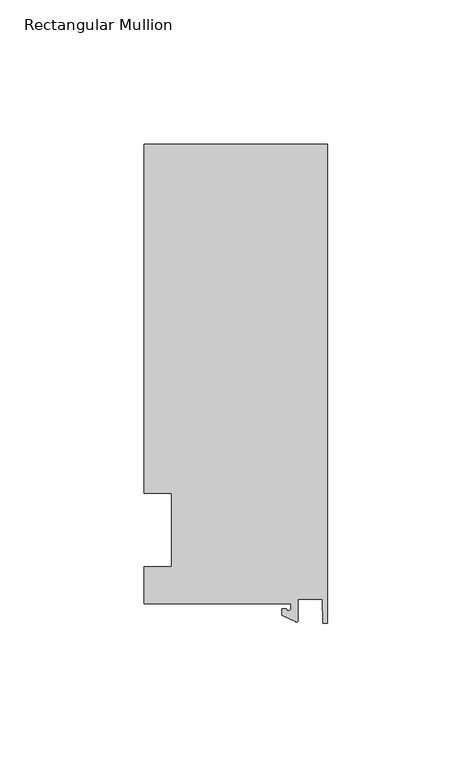
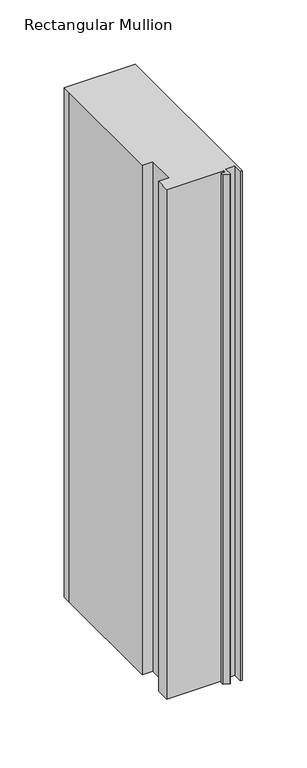
"""IFC4 building model written with IfcOpenShell, lengths in millimetres: member geometry, Rectangular Mullion."""

import ifcopenshell
import ifcopenshell.guid

model = None  # the IFC model being written
_history = None  # IfcOwnerHistory: only IFC2X3 demands one
_inside = {}  # id of a spatial element -> (the spatial element, [elements in it])
_under = {}  # id of a project, library or spatial element -> (it, [spatial elements below it])
_declared = {}  # id of a project -> (the project, [libraries it declares])
_typed = {}  # id of a type object -> (the type object, [elements of that type])
_made_of = {}  # id of a material, layer set ... -> (it, [elements and type objects made of it])


def new_model(schema):
    """Start an empty IFC model of exactly this schema.

    Asked for "IFC4X3", IfcOpenShell would pick the latest addendum, in which some entities
    have other attributes; the version numbers below select the first issue.
    IFC2X3 requires an IfcOwnerHistory on every rooted entity: one is made here for all.
    """
    global model, _history
    if schema == "IFC4X3":
        model = ifcopenshell.file(schema_version=(4, 3, 0, 0))
    else:
        model = ifcopenshell.file(schema=schema)
    _inside.clear()
    _under.clear()
    _declared.clear()
    _typed.clear()
    _made_of.clear()
    _history = None
    if model.schema == "IFC2X3":
        org = make("IfcOrganization", Name="unknown")
        user = make(
            "IfcPersonAndOrganization",
            ThePerson=make("IfcPerson", FamilyName="unknown"),
            TheOrganization=org,
        )
        app = make(
            "IfcApplication",
            ApplicationDeveloper=org,
            Version="unknown",
            ApplicationFullName="unknown",
            ApplicationIdentifier="unknown",
        )
        _history = make(
            "IfcOwnerHistory",
            OwningUser=user,
            OwningApplication=app,
            ChangeAction="ADDED",
            CreationDate=0,
        )
    return model


def make(cls, **values):
    """One entity of the class cls with the attributes given. An attribute that is None is left unset."""
    return model.create_entity(
        cls, **{name: value for name, value in values.items() if value is not None}
    )


def rooted(cls, **values):
    """An entity with a GlobalId (a new one), such as an element, a storey or a relation."""
    return make(cls, GlobalId=ifcopenshell.guid.new(), OwnerHistory=_history, **values)


def si_unit(unit_type, name, prefix=None):
    """IfcSIUnit, for example si_unit("LENGTHUNIT", "METRE", prefix="MILLI")."""
    return make("IfcSIUnit", UnitType=unit_type, Prefix=prefix, Name=name)


def assignment(units):
    """IfcUnitAssignment: the units of a project."""
    return None if units is None else make("IfcUnitAssignment", Units=units)


def point(xyz):
    """IfcCartesianPoint."""
    return None if xyz is None else make("IfcCartesianPoint", Coordinates=xyz)


def direction(xyz):
    """IfcDirection."""
    return None if xyz is None else make("IfcDirection", DirectionRatios=xyz)


def frame(location, z_axis=None, x_axis=None):
    """IfcAxis2Placement3D, a coordinate frame: its origin and axes. An axis left out is left unset."""
    return make(
        "IfcAxis2Placement3D",
        Location=point(location),
        Axis=direction(z_axis),
        RefDirection=direction(x_axis),
    )


def frame_2d(location, x_axis=None):
    """IfcAxis2Placement2D, a coordinate frame in the plane: its origin and x axis."""
    return make(
        "IfcAxis2Placement2D", Location=point(location), RefDirection=direction(x_axis)
    )


def origin():
    """The frame at (0, 0, 0) with its axes left unset."""
    return frame((0.0, 0.0, 0.0))


def place(relative_to, where):
    """IfcLocalPlacement: puts the frame where relative to a parent placement (None: the world)."""
    return make(
        "IfcLocalPlacement", PlacementRelTo=relative_to, RelativePlacement=where
    )


def context(
    kind, dimensions, precision=None, world=None, true_north=None, identifier=None
):
    """IfcGeometricRepresentationContext, for example the 3D "Model" context."""
    return make(
        "IfcGeometricRepresentationContext",
        ContextIdentifier=identifier,
        ContextType=kind,
        CoordinateSpaceDimension=dimensions,
        Precision=precision,
        WorldCoordinateSystem=world,
        TrueNorth=true_north,
    )


def project(units=None, contexts=None):
    """IfcProject with its units and contexts."""
    return rooted(
        "IfcProject",
        Name="project",
        RepresentationContexts=contexts,
        UnitsInContext=assignment(units),
    )


def spatial(cls, under=None, at=None, **own):
    """A site, building, storey or space (cls), placed at a placement, below another one or the project."""
    s = rooted(cls, ObjectPlacement=at, **own)
    if under is not None:
        _under.setdefault(under.id(), (under, []))[1].append(s)
    return s


def polyline(points):
    """IfcPolyline through the points."""
    return make("IfcPolyline", Points=[point(p) for p in points])


def circle_curve(where, radius):
    """IfcCircle in the frame where."""
    return make("IfcCircle", Position=where, Radius=radius)


def trimmed(basis, trim1, trim2, sense, master):
    """IfcTrimmedCurve: the piece of a basis curve between two trims."""
    return make(
        "IfcTrimmedCurve",
        BasisCurve=basis,
        Trim1=trim1,
        Trim2=trim2,
        SenseAgreement=sense,
        MasterRepresentation=master,
    )


def segment(curve, same_sense, transition):
    """IfcCompositeCurveSegment."""
    return make(
        "IfcCompositeCurveSegment",
        Transition=transition,
        SameSense=same_sense,
        ParentCurve=curve,
    )


def composite_curve(segments, self_intersect=None):
    """IfcCompositeCurve: segments joined end to end."""
    return make("IfcCompositeCurve", Segments=segments, SelfIntersect=self_intersect)


def outline(outer, holes=None, kind="AREA"):
    """IfcArbitraryClosedProfileDef: a profile drawn as a closed curve; with holes, ...WithVoids."""
    if holes is None:
        return make("IfcArbitraryClosedProfileDef", ProfileType=kind, OuterCurve=outer)
    return make(
        "IfcArbitraryProfileDefWithVoids",
        ProfileType=kind,
        OuterCurve=outer,
        InnerCurves=holes,
    )


def extrude(swept, where, along, depth):
    """IfcExtrudedAreaSolid: the profile swept, set in the frame where, extruded along a direction by depth."""
    return make(
        "IfcExtrudedAreaSolid",
        SweptArea=swept,
        Position=where,
        ExtrudedDirection=direction(along),
        Depth=depth,
    )


def shape(context_of_items, identifier, shape_type, items):
    """IfcShapeRepresentation: the items that make up one representation, for example the "Body"."""
    return make(
        "IfcShapeRepresentation",
        ContextOfItems=context_of_items,
        RepresentationIdentifier=identifier,
        RepresentationType=shape_type,
        Items=items,
    )


def source(mapping_origin, context_of_items, identifier, shape_type, items):
    """IfcRepresentationMap: a shape defined once, which mapped items show again and again."""
    return make(
        "IfcRepresentationMap",
        MappingOrigin=mapping_origin,
        MappedRepresentation=shape(context_of_items, identifier, shape_type, items),
    )


def transform(
    local_origin,
    x_axis=None,
    y_axis=None,
    z_axis=None,
    scale=None,
    scale2=None,
    scale3=None,
    uniform=True,
):
    """IfcCartesianTransformationOperator3D, or its non-uniform kind. x_axis, y_axis, z_axis: its Axis1, 2, 3."""
    if uniform:
        return make(
            "IfcCartesianTransformationOperator3D",
            Axis1=direction(x_axis),
            Axis2=direction(y_axis),
            LocalOrigin=point(local_origin),
            Scale=scale,
            Axis3=direction(z_axis),
        )
    return make(
        "IfcCartesianTransformationOperator3DnonUniform",
        Axis1=direction(x_axis),
        Axis2=direction(y_axis),
        LocalOrigin=point(local_origin),
        Scale=scale,
        Axis3=direction(z_axis),
        Scale2=scale2,
        Scale3=scale3,
    )


def mapped(mapping_source, mapping_target):
    """IfcMappedItem: shows the shape of a source again, moved by a transform."""
    return make(
        "IfcMappedItem", MappingSource=mapping_source, MappingTarget=mapping_target
    )


def made_of(thing, what):
    """Note that an element or type object is made of a material, layer set ...; save() writes the relation."""
    if what is not None:
        _made_of.setdefault(what.id(), (what, []))[1].append(thing)
    return thing


def element(
    cls,
    number,
    at=None,
    inside=None,
    cuts=None,
    type_object=None,
    material=None,
    context=None,
    identifier="Body",
    shape_type=None,
    held_by="IfcProductDefinitionShape",
    body=None,
    shapes=None,
    **own,
):
    """One element of the class cls, such as IfcWall. Its Tag is "e" and its number.

    at: its placement. inside: the storey or other place that contains it. cuts: it is an
    opening in that element (IfcRelVoidsElement). A single representation is given by context,
    identifier, shape_type and body (its items); several are given by shapes. held_by: the class
    of the entity that holds the representations. save() writes the other relations.
    """
    e = rooted(cls, Tag="e%d" % number, ObjectPlacement=at, **own)
    if body is not None:
        shapes = [shape(context, identifier, shape_type, body)]
    if shapes is not None:
        e.Representation = make(held_by, Representations=shapes)
    if inside is not None:
        _inside.setdefault(inside.id(), (inside, []))[1].append(e)
    if cuts is not None:
        rooted(
            "IfcRelVoidsElement", RelatingBuildingElement=cuts, RelatedOpeningElement=e
        )
    if type_object is not None:
        _typed.setdefault(type_object.id(), (type_object, []))[1].append(e)
    return made_of(e, material)


def aggregate(whole, parts):
    """IfcRelAggregates: a whole, such as a stair, and the parts it consists of."""
    return rooted("IfcRelAggregates", RelatingObject=whole, RelatedObjects=parts)


def save(model, path):
    """Write the relations noted so far, then the file.

    IfcRelAggregates (storeys below a building ...), IfcRelContainedInSpatialStructure (elements
    in a storey), IfcRelDefinesByType, IfcRelAssociatesMaterial and IfcRelDeclares: one each for
    every whole, place, type object, material and project.
    """
    for whole, parts in _under.values():
        aggregate(whole, parts)
    for where, things in _inside.values():
        rooted(
            "IfcRelContainedInSpatialStructure",
            RelatedElements=things,
            RelatingStructure=where,
        )
    for kind, things in _typed.values():
        rooted("IfcRelDefinesByType", RelatedObjects=things, RelatingType=kind)
    for what, things in _made_of.values():
        rooted("IfcRelAssociatesMaterial", RelatedObjects=things, RelatingMaterial=what)
    for by, libraries in _declared.values():
        rooted("IfcRelDeclares", RelatingContext=by, RelatedDefinitions=libraries)
    model.write(path)


def rectangular_mullion_0267e1ac(model_context):
    return source(origin(), model_context, "Body", "SweptSolid", [
        extrude(outline(composite_curve([segment(polyline([(-12.6979967, -25.4849312), (-63.5, -25.4849312), (-63.5, -12.7), (-53.975, -12.7), (-53.975, 12.7), (-63.5, 12.7), (-63.5, 125.6958688), (-63.5, 133.4428688), (0.0, 133.4428688), (0.0, -32.288874), (-1.5658966, -32.288874), (-1.7144124, -23.9227662), (-10.3103967, -23.9227662), (-10.3103967, -31.3654561)]), True, "CONTINUOUS"), segment(trimmed(circle_curve(frame_2d((-10.8183967, -31.3654561)), 0.508), [point((-10.3103967, -31.3654561))], [point((-11.0330867, -31.8258605))], False, "CARTESIAN"), True, "CONTINUOUS"), segment(polyline([(-11.0330867, -31.8258605), (-15.8729967, -29.5689734), (-15.8729967, -27.2067741), (-14.2854967, -27.2067741)]), True, "CONTINUOUS"), segment(trimmed(circle_curve(frame_2d((-13.4917467, -27.2067741)), 0.79375), [point((-14.2854967, -27.2067741))], [point((-12.6979967, -27.2067741))], True, "CARTESIAN"), True, "CONTINUOUS"), segment(polyline([(-12.6979967, -27.2067741), (-12.6979967, -25.4849312)]), True, "CONTINUOUS")], self_intersect=False)), frame((0.0, 0.0, -482.6), z_axis=(0.0, 0.0, 1.0), x_axis=(1.0, 0.0, 0.0)), (0.0, 0.0, 1.0), 482.6),
    ])


if __name__ == "__main__":
    model = new_model("IFC4")
    model_context = context("Model", 3, world=origin())
    ifc_project = project(units=[si_unit("LENGTHUNIT", "METRE", prefix="MILLI")], contexts=[model_context])
    site = spatial("IfcSite", under=ifc_project)
    building = spatial("IfcBuilding", under=site)
    placement = place(None, origin())
    rectangular_mullion_shape = rectangular_mullion_0267e1ac(model_context)
    element("IfcMember", 1, ObjectType="Rectangular Mullion", at=placement, inside=building, context=model_context, shape_type="MappedRepresentation", body=[
        mapped(rectangular_mullion_shape, transform((0.0, 0.0, 0.0), x_axis=(1.0, 0.0, 0.0), y_axis=(0.0, 1.0, 0.0), z_axis=(0.0, 0.0, 1.0))),
    ])
    save(model, "model.ifc")
